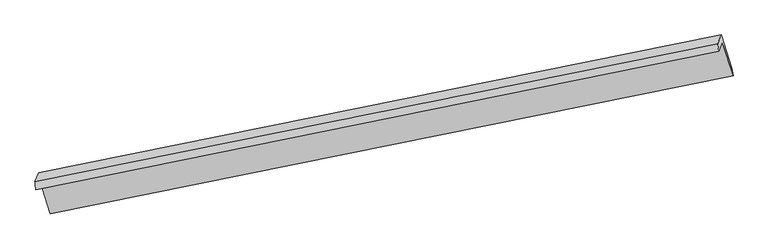
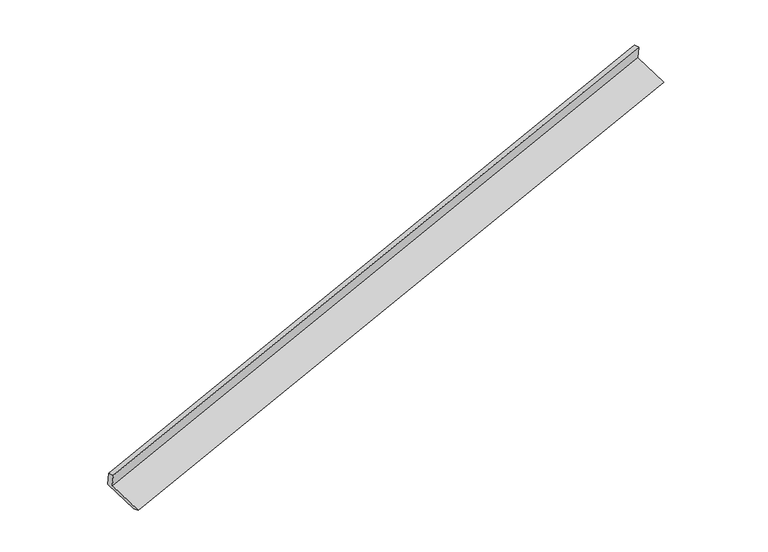
"""IFC4 building model written with IfcOpenShell, lengths in millimetres: proxy geometry."""

import ifcopenshell
import ifcopenshell.guid

model = None  # the IFC model being written
_history = None  # IfcOwnerHistory: only IFC2X3 demands one
_inside = {}  # id of a spatial element -> (the spatial element, [elements in it])
_under = {}  # id of a project, library or spatial element -> (it, [spatial elements below it])
_declared = {}  # id of a project -> (the project, [libraries it declares])
_typed = {}  # id of a type object -> (the type object, [elements of that type])
_made_of = {}  # id of a material, layer set ... -> (it, [elements and type objects made of it])


def new_model(schema):
    """Start an empty IFC model of exactly this schema.

    Asked for "IFC4X3", IfcOpenShell would pick the latest addendum, in which some entities
    have other attributes; the version numbers below select the first issue.
    IFC2X3 requires an IfcOwnerHistory on every rooted entity: one is made here for all.
    """
    global model, _history
    if schema == "IFC4X3":
        model = ifcopenshell.file(schema_version=(4, 3, 0, 0))
    else:
        model = ifcopenshell.file(schema=schema)
    _inside.clear()
    _under.clear()
    _declared.clear()
    _typed.clear()
    _made_of.clear()
    _history = None
    if model.schema == "IFC2X3":
        org = make("IfcOrganization", Name="unknown")
        user = make(
            "IfcPersonAndOrganization",
            ThePerson=make("IfcPerson", FamilyName="unknown"),
            TheOrganization=org,
        )
        app = make(
            "IfcApplication",
            ApplicationDeveloper=org,
            Version="unknown",
            ApplicationFullName="unknown",
            ApplicationIdentifier="unknown",
        )
        _history = make(
            "IfcOwnerHistory",
            OwningUser=user,
            OwningApplication=app,
            ChangeAction="ADDED",
            CreationDate=0,
        )
    return model


def make(cls, **values):
    """One entity of the class cls with the attributes given. An attribute that is None is left unset."""
    return model.create_entity(
        cls, **{name: value for name, value in values.items() if value is not None}
    )


def rooted(cls, **values):
    """An entity with a GlobalId (a new one), such as an element, a storey or a relation."""
    return make(cls, GlobalId=ifcopenshell.guid.new(), OwnerHistory=_history, **values)


def si_unit(unit_type, name, prefix=None):
    """IfcSIUnit, for example si_unit("LENGTHUNIT", "METRE", prefix="MILLI")."""
    return make("IfcSIUnit", UnitType=unit_type, Prefix=prefix, Name=name)


def assignment(units):
    """IfcUnitAssignment: the units of a project."""
    return None if units is None else make("IfcUnitAssignment", Units=units)


def point(xyz):
    """IfcCartesianPoint."""
    return None if xyz is None else make("IfcCartesianPoint", Coordinates=xyz)


def direction(xyz):
    """IfcDirection."""
    return None if xyz is None else make("IfcDirection", DirectionRatios=xyz)


def frame(location, z_axis=None, x_axis=None):
    """IfcAxis2Placement3D, a coordinate frame: its origin and axes. An axis left out is left unset."""
    return make(
        "IfcAxis2Placement3D",
        Location=point(location),
        Axis=direction(z_axis),
        RefDirection=direction(x_axis),
    )


def origin():
    """The frame at (0, 0, 0) with its axes left unset."""
    return frame((0.0, 0.0, 0.0))


def place(relative_to, where):
    """IfcLocalPlacement: puts the frame where relative to a parent placement (None: the world)."""
    return make(
        "IfcLocalPlacement", PlacementRelTo=relative_to, RelativePlacement=where
    )


def context(
    kind, dimensions, precision=None, world=None, true_north=None, identifier=None
):
    """IfcGeometricRepresentationContext, for example the 3D "Model" context."""
    return make(
        "IfcGeometricRepresentationContext",
        ContextIdentifier=identifier,
        ContextType=kind,
        CoordinateSpaceDimension=dimensions,
        Precision=precision,
        WorldCoordinateSystem=world,
        TrueNorth=true_north,
    )


def project(units=None, contexts=None):
    """IfcProject with its units and contexts."""
    return rooted(
        "IfcProject",
        Name="project",
        RepresentationContexts=contexts,
        UnitsInContext=assignment(units),
    )


def spatial(cls, under=None, at=None, **own):
    """A site, building, storey or space (cls), placed at a placement, below another one or the project."""
    s = rooted(cls, ObjectPlacement=at, **own)
    if under is not None:
        _under.setdefault(under.id(), (under, []))[1].append(s)
    return s


def shape(context_of_items, identifier, shape_type, items):
    """IfcShapeRepresentation: the items that make up one representation, for example the "Body"."""
    return make(
        "IfcShapeRepresentation",
        ContextOfItems=context_of_items,
        RepresentationIdentifier=identifier,
        RepresentationType=shape_type,
        Items=items,
    )


def source(mapping_origin, context_of_items, identifier, shape_type, items):
    """IfcRepresentationMap: a shape defined once, which mapped items show again and again."""
    return make(
        "IfcRepresentationMap",
        MappingOrigin=mapping_origin,
        MappedRepresentation=shape(context_of_items, identifier, shape_type, items),
    )


def transform(
    local_origin,
    x_axis=None,
    y_axis=None,
    z_axis=None,
    scale=None,
    scale2=None,
    scale3=None,
    uniform=True,
):
    """IfcCartesianTransformationOperator3D, or its non-uniform kind. x_axis, y_axis, z_axis: its Axis1, 2, 3."""
    if uniform:
        return make(
            "IfcCartesianTransformationOperator3D",
            Axis1=direction(x_axis),
            Axis2=direction(y_axis),
            LocalOrigin=point(local_origin),
            Scale=scale,
            Axis3=direction(z_axis),
        )
    return make(
        "IfcCartesianTransformationOperator3DnonUniform",
        Axis1=direction(x_axis),
        Axis2=direction(y_axis),
        LocalOrigin=point(local_origin),
        Scale=scale,
        Axis3=direction(z_axis),
        Scale2=scale2,
        Scale3=scale3,
    )


def mapped(mapping_source, mapping_target):
    """IfcMappedItem: shows the shape of a source again, moved by a transform."""
    return make(
        "IfcMappedItem", MappingSource=mapping_source, MappingTarget=mapping_target
    )


def made_of(thing, what):
    """Note that an element or type object is made of a material, layer set ...; save() writes the relation."""
    if what is not None:
        _made_of.setdefault(what.id(), (what, []))[1].append(thing)
    return thing


def element(
    cls,
    number,
    at=None,
    inside=None,
    cuts=None,
    type_object=None,
    material=None,
    context=None,
    identifier="Body",
    shape_type=None,
    held_by="IfcProductDefinitionShape",
    body=None,
    shapes=None,
    **own,
):
    """One element of the class cls, such as IfcWall. Its Tag is "e" and its number.

    at: its placement. inside: the storey or other place that contains it. cuts: it is an
    opening in that element (IfcRelVoidsElement). A single representation is given by context,
    identifier, shape_type and body (its items); several are given by shapes. held_by: the class
    of the entity that holds the representations. save() writes the other relations.
    """
    e = rooted(cls, Tag="e%d" % number, ObjectPlacement=at, **own)
    if body is not None:
        shapes = [shape(context, identifier, shape_type, body)]
    if shapes is not None:
        e.Representation = make(held_by, Representations=shapes)
    if inside is not None:
        _inside.setdefault(inside.id(), (inside, []))[1].append(e)
    if cuts is not None:
        rooted(
            "IfcRelVoidsElement", RelatingBuildingElement=cuts, RelatedOpeningElement=e
        )
    if type_object is not None:
        _typed.setdefault(type_object.id(), (type_object, []))[1].append(e)
    return made_of(e, material)


def aggregate(whole, parts):
    """IfcRelAggregates: a whole, such as a stair, and the parts it consists of."""
    return rooted("IfcRelAggregates", RelatingObject=whole, RelatedObjects=parts)


def save(model, path):
    """Write the relations noted so far, then the file.

    IfcRelAggregates (storeys below a building ...), IfcRelContainedInSpatialStructure (elements
    in a storey), IfcRelDefinesByType, IfcRelAssociatesMaterial and IfcRelDeclares: one each for
    every whole, place, type object, material and project.
    """
    for whole, parts in _under.values():
        aggregate(whole, parts)
    for where, things in _inside.values():
        rooted(
            "IfcRelContainedInSpatialStructure",
            RelatedElements=things,
            RelatingStructure=where,
        )
    for kind, things in _typed.values():
        rooted("IfcRelDefinesByType", RelatedObjects=things, RelatingType=kind)
    for what, things in _made_of.values():
        rooted("IfcRelAssociatesMaterial", RelatedObjects=things, RelatingMaterial=what)
    for by, libraries in _declared.values():
        rooted("IfcRelDeclares", RelatingContext=by, RelatedDefinitions=libraries)
    model.write(path)


def plane_surface(at):
    """IfcPlane: the flat surface through the origin of the frame at, square to its z axis."""
    return make("IfcPlane", Position=at)


def spline_surface(u_degree, v_degree, points, u_multiplicities, v_multiplicities, u_knots, v_knots, weights=None):
    """IfcBSplineSurfaceWithKnots; with weights, IfcRationalBSplineSurfaceWithKnots. points: one row for each step in u."""
    own = dict(
        UDegree=u_degree,
        VDegree=v_degree,
        ControlPointsList=[[point(p) for p in row] for row in points],
        SurfaceForm="UNSPECIFIED",
        UClosed=False,
        VClosed=False,
        SelfIntersect=False,
        UMultiplicities=u_multiplicities,
        VMultiplicities=v_multiplicities,
        UKnots=u_knots,
        VKnots=v_knots,
        KnotSpec="UNSPECIFIED",
    )
    if weights is None:
        return make("IfcBSplineSurfaceWithKnots", **own)
    return make("IfcRationalBSplineSurfaceWithKnots", WeightsData=weights, **own)


def advanced_brep(points, edges, surfaces, faces):
    """IfcAdvancedBrep: a solid bounded by faces that lie on surfaces and meet in shared edges.

    An edge is (start, end): straight between two places in points (the first is 0);
    or (start, end, curve); or (start, end, curve, False) where it runs against its curve.
    A face is (place in surfaces, loops), or (place, loops, False) where it looks against
    its surface's normal. A loop lists edges by number (the first is 1), with a minus sign
    where the edge is run from its end to its start. The first loop is the outer one.
    """
    corners = [point(p) for p in points]
    vertices = [make("IfcVertexPoint", VertexGeometry=c) for c in corners]
    made = []
    for start, end, *more in edges:
        made.append(
            make(
                "IfcEdgeCurve",
                EdgeStart=vertices[start],
                EdgeEnd=vertices[end],
                EdgeGeometry=more[0] if more else make("IfcPolyline", Points=[corners[start], corners[end]]),
                SameSense=more[1] if len(more) > 1 else True,
            )
        )
    hull = []
    for where, loops, *sense in faces:
        bounds = []
        for j, loop in enumerate(loops):
            ring = [make("IfcOrientedEdge", EdgeElement=made[abs(k) - 1], Orientation=k > 0) for k in loop]
            bounds.append(
                make(
                    "IfcFaceOuterBound" if j == 0 else "IfcFaceBound",
                    Bound=make("IfcEdgeLoop", EdgeList=ring),
                    Orientation=True,
                )
            )
        hull.append(make("IfcAdvancedFace", Bounds=bounds, FaceSurface=surfaces[where], SameSense=sense[0] if sense else True))
    return make("IfcAdvancedBrep", Outer=make("IfcClosedShell", CfsFaces=hull))


def generic_models_0f039a0c(model_context):
    return source(origin(), model_context, "Body", "AdvancedBrep", [
        advanced_brep(
        [(-9705.9131244, -2842.965062, 353.1967257), (-9628.6387534, -2663.4200285, -41.3721452), (3837.1826448, 61.4804726, 3846.9441015), (3762.5406406, -111.9483236, 4228.0719053), (-9723.6956599, -2691.7378271, 307.9777101), (3742.1257382, 33.162674, 4196.2939569), (-9646.8157863, -2513.1093984, -84.5768267), (3816.373245, 205.6748655, 3817.1804872), (-9438.1067764, -3170.8932231, -343.0208371), (4025.0822549, -452.1089593, 3558.7364768), (-9419.0934917, -3323.8394507, -300.8516849), (4046.7279065, -598.9389496, 3587.4645619)],
        [
            (0, 1),
            (1, 2),
            (2, 3),
            (3, 0),
            (4, 0),
            (3, 5),
            (5, 4),
            (6, 4),
            (5, 7),
            (7, 6),
            (8, 6),
            (7, 9),
            (9, 8),
            (10, 8),
            (9, 11),
            (11, 10),
            (1, 10),
            (11, 2),
        ],
        [
            plane_surface(frame((-9667.2759389, -2753.1925453, 155.9122902), z_axis=(0.28204603230501796, -0.8928668945729323, -0.3510537626015215), x_axis=(0.17549112223929764, 0.40774915415770424, -0.8960711429897008))),
            spline_surface(1, 1, [[(-9723.6956599, -2691.7378271, 307.9777101), (3742.1257382, 33.162674, 4196.2939569)], [(-9705.9131244, -2842.965062, 353.1967257), (3762.5406406, -111.9483236, 4228.0719053)]], [2, 2], [2, 2], [0.0, 1.0], [0.0, 1.0]),
            plane_surface(frame((-9685.2557231, -2602.4236128, 111.7004417), z_axis=(-0.28204603230502723, 0.8928668945729091, 0.3510537626015727), x_axis=(-0.17549112223903163, -0.40774915415770446, 0.8960711429897528))),
            plane_surface(frame((-9542.4612814, -2842.0013108, -213.7988319), z_axis=(0.177141706235923, 0.40808512258502394, -0.8955932942114921), x_axis=(-0.28322289621674096, 0.8926276831111084, 0.35071442856303475))),
            spline_surface(1, 1, [[(-9419.0934917, -3323.8394507, -300.8516849), (4046.7279065, -598.9389496, 3587.4645619)], [(-9438.1067764, -3170.8932231, -343.0208371), (4025.0822549, -452.1089593, 3558.7364768)]], [2, 2], [2, 2], [0.0, 1.0], [0.0, 1.0]),
            plane_surface(frame((-9523.8661225, -2993.6297396, -171.111915), z_axis=(-0.17615142124715258, -0.407883691703281, 0.8958803328766131), x_axis=(0.2832228962167273, -0.892627683111145, -0.3507144285629524))),
            plane_surface(frame((3871.6720717, -143.7797034, 3872.4485816), z_axis=(0.9428614198671458, 0.19224059567985555, 0.2721321302212665), x_axis=(-0.28322289621674096, 0.8926276831111084, 0.35071442856303475))),
            plane_surface(frame((-9593.7105987, -2867.6608316, -18.107843), z_axis=(-0.9428614198671296, -0.19224059567967813, -0.2721321302214474), x_axis=(-0.17549112223927055, -0.40774915415770197, 0.896071142989707))),
        ],
        [
            (0, [[1, 2, 3, 4]]),
            (1, [[5, -4, 6, 7]]),
            (2, [[8, -7, 9, 10]]),
            (3, [[11, -10, 12, 13]]),
            (4, [[14, -13, 15, 16]]),
            (5, [[17, -16, 18, -2]]),
            (6, [[-12, -9, -6, -3, -18, -15]]),
            (7, [[-1, -5, -8, -11, -14, -17]]),
        ],
    ),
    ])


if __name__ == "__main__":
    model = new_model("IFC4")
    model_context = context("Model", 3, world=origin())
    ifc_project = project(units=[si_unit("LENGTHUNIT", "METRE", prefix="MILLI")], contexts=[model_context])
    site = spatial("IfcSite", under=ifc_project)
    building = spatial("IfcBuilding", under=site)
    placement = place(None, origin())
    generic_models_shape = generic_models_0f039a0c(model_context)
    element("IfcBuildingElementProxy", 1, Name="Generic Models", at=placement, inside=building, context=model_context, shape_type="MappedRepresentation", body=[
        mapped(generic_models_shape, transform((0.0, 0.0, 0.0), x_axis=(1.0, 0.0, 0.0), y_axis=(0.0, 1.0, 0.0), z_axis=(0.0, 0.0, 1.0))),
    ])
    save(model, "model.ifc")
